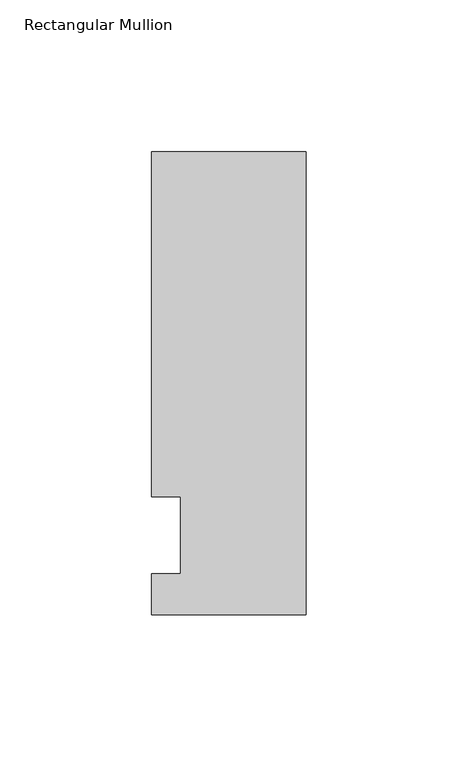
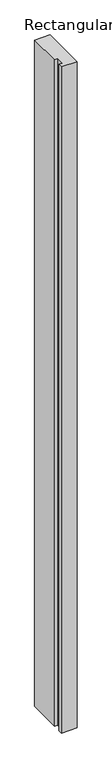
"""IFC4 building model written with IfcOpenShell, lengths in millimetres: member geometry, Rectangular Mullion."""

from ifc_helpers import new_model, si_unit, frame, origin, place, context, project, spatial, polyline, outline, extrude, source, transform, mapped, element, save


def rectangular_mullion_c0b87f13(model_context):
    return source(origin(), model_context, "Body", "SweptSolid", [
        extrude(outline(polyline([(0.0, -26.19375), (-50.8, -26.19375), (-50.8, -12.7), (-41.275, -12.7), (-41.275, 12.7), (-50.8, 12.7), (-50.8, 126.20625), (0.0, 126.20625), (0.0, -26.19375)])), frame((0.0, 0.0, -2311.3923531), z_axis=(0.0, 0.0, 1.0), x_axis=(1.0, 0.0, 0.0)), (0.0, 0.0, 1.0), 2311.3923531),
    ])


if __name__ == "__main__":
    model = new_model("IFC4")
    model_context = context("Model", 3, world=origin())
    ifc_project = project(units=[si_unit("LENGTHUNIT", "METRE", prefix="MILLI")], contexts=[model_context])
    site = spatial("IfcSite", under=ifc_project)
    building = spatial("IfcBuilding", under=site)
    placement = place(None, origin())
    rectangular_mullion_shape = rectangular_mullion_c0b87f13(model_context)
    element("IfcMember", 1, ObjectType="Rectangular Mullion", at=placement, inside=building, context=model_context, shape_type="MappedRepresentation", body=[
        mapped(rectangular_mullion_shape, transform((0.0, 0.0, 0.0), x_axis=(1.0, 0.0, 0.0), y_axis=(0.0, 1.0, 0.0), z_axis=(0.0, 0.0, 1.0))),
    ])
    save(model, "model.ifc")
